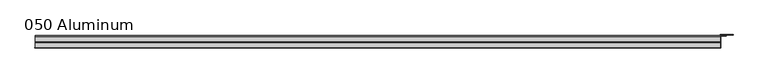
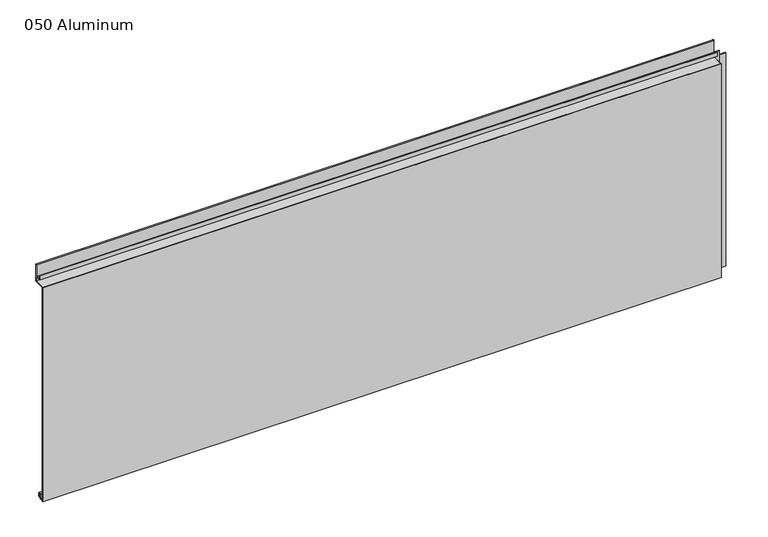
"""IFC4 building model written with IfcOpenShell, lengths in millimetres: plate geometry, 050 Aluminum."""

from ifc_helpers import new_model, si_unit, point, frame, frame_2d, origin, origin_with_axes, place, context, project, spatial, polyline, circle_curve, trimmed, segment, composite_curve, outline, extrude, source, transform, mapped, element, save


def plate_050_aluminum_cd09f41b(model_context):
    return source(origin(), model_context, "Body", "SweptSolid", [
        extrude(outline(composite_curve([segment(polyline([(-16.6765477, 13.1458337), (-16.6765477, 2.786437), (-17.9464915, 2.786437), (-17.9464915, 13.1323356)]), True, "CONTINUOUS"), segment(trimmed(circle_curve(frame_2d((-19.8514743, 13.124237)), 1.905), [point((-17.9464915, 13.1323356))], [point((-21.7564743, 13.124237))], True, "CARTESIAN"), True, "CONTINUOUS"), segment(polyline([(-21.7564743, 13.124237), (-21.7564743, 0.0), (-34.7980002, 0.0), (-34.7980002, 1.2693678), (-23.0264743, 1.2693678), (-23.0264743, 13.124237)]), True, "CONTINUOUS"), segment(trimmed(circle_curve(frame_2d((-19.8514743, 13.124237)), 3.175), [point((-23.0264743, 13.124237))], [point((-16.6765477, 13.1458337))], False, "CARTESIAN"), True, "CONTINUOUS")], self_intersect=False)), frame((-919.4800002, 0.0, 0.0), z_axis=(1.0, 0.0, 0.0), x_axis=(0.0, 1.0, 0.0)), (0.0, 0.0, 1.0), 1826.2600003),
        extrude(outline(composite_curve([segment(polyline([(-2.0574743, 656.7932001), (-2.0574743, 608.33), (-34.7980002, 608.33), (-34.7980002, 609.6000001), (-3.3274743, 609.6000001), (-3.3274743, 656.7932001)]), True, "CONTINUOUS"), segment(trimmed(circle_curve(frame_2d((-3.7084742, 656.7932001)), 0.3809999), [point((-3.3274743, 656.7932001))], [point((-4.0894742, 656.7932001))], True, "CARTESIAN"), True, "CONTINUOUS"), segment(polyline([(-4.0894742, 656.7932001), (-4.0894742, 622.3), (-20.4864742, 622.3), (-20.4864742, 633.6538), (-19.2164743, 633.6538), (-19.2164743, 623.57), (-5.3594742, 623.57), (-5.3594742, 656.7932001)]), True, "CONTINUOUS"), segment(trimmed(circle_curve(frame_2d((-3.7084742, 656.7932001)), 1.6509999), [point((-5.3594742, 656.7932001))], [point((-2.0574743, 656.7932001))], False, "CARTESIAN"), True, "CONTINUOUS")], self_intersect=False)), frame((-919.4800002, 0.0, 0.0), z_axis=(1.0, 0.0, 0.0), x_axis=(0.0, 1.0, 0.0)), (0.0, 0.0, 1.0), 1826.2600003),
        extrude(outline(polyline([(-920.7500002, -36.068), (-920.7500002, -34.7980001), (908.0500002, -34.7980001), (908.0500002, -36.068), (-920.7500002, -36.068)])), origin_with_axes(), (0.0, 0.0, 1.0), 609.6),
        extrude(outline(polyline([(908.0500002, -1.2699999), (908.0500002, -34.7980002), (906.7800002, -34.7980002), (906.7800002, 0.0), (940.5620858, 0.0), (940.5620858, -1.2699999), (908.0500002, -1.2699999)])), origin_with_axes(), (0.0, 0.0, 1.0), 608.33),
        extrude(outline(polyline([(906.7800002, -3.3274743), (906.7800002, -2.0574743), (922.5280001, -2.0574743), (922.5280001, -3.3274743), (906.7800002, -3.3274743)])), origin_with_axes(), (0.0, 0.0, 1.0), 622.3),
    ])


if __name__ == "__main__":
    model = new_model("IFC4")
    model_context = context("Model", 3, world=origin())
    ifc_project = project(units=[si_unit("LENGTHUNIT", "METRE", prefix="MILLI")], contexts=[model_context])
    site = spatial("IfcSite", under=ifc_project)
    building = spatial("IfcBuilding", under=site)
    placement = place(None, origin())
    plate_050_aluminum_shape = plate_050_aluminum_cd09f41b(model_context)
    element("IfcPlate", 1, ObjectType="050 Aluminum", at=placement, inside=building, context=model_context, shape_type="MappedRepresentation", body=[
        mapped(plate_050_aluminum_shape, transform((0.0, 0.0, 0.0), x_axis=(1.0, 0.0, 0.0), y_axis=(0.0, 1.0, 0.0), z_axis=(0.0, 0.0, 1.0))),
    ])
    save(model, "model.ifc")
